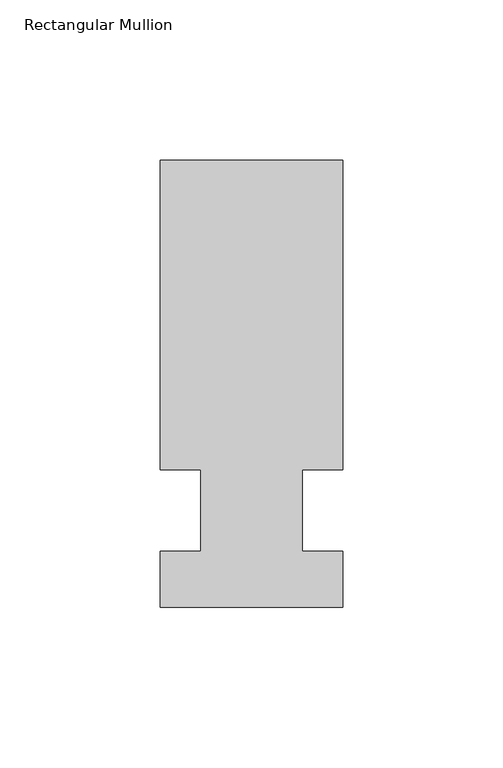
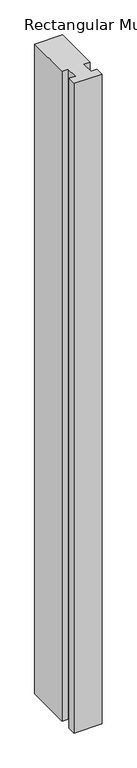
"""IFC4 building model written with IfcOpenShell, lengths in millimetres: member geometry, Rectangular Mullion."""

from ifc_helpers import new_model, si_unit, frame, origin, place, context, project, spatial, polyline, outline, extrude, source, transform, mapped, element, save


def rectangular_mullion_3692fdbe(model_context):
    return source(origin(), model_context, "Body", "SweptSolid", [
        extrude(outline(polyline([(32.9094027, 109.5375), (32.9094027, 12.7), (20.2076322, 12.7), (20.2076322, -12.7), (32.9094027, -12.7), (32.9094027, -30.1625), (-24.2405973, -30.1625), (-24.2405973, -12.7), (-11.5405973, -12.7), (-11.5405973, 12.7), (-24.2405973, 12.7), (-24.2405973, 109.5375), (32.9094027, 109.5375)])), frame((0.0, 0.0, -1407.482264), z_axis=(0.0, 0.0, 1.0), x_axis=(1.0, 0.0, 0.0)), (0.0, 0.0, 1.0), 1407.482264),
    ])


if __name__ == "__main__":
    model = new_model("IFC4")
    model_context = context("Model", 3, world=origin())
    ifc_project = project(units=[si_unit("LENGTHUNIT", "METRE", prefix="MILLI")], contexts=[model_context])
    site = spatial("IfcSite", under=ifc_project)
    building = spatial("IfcBuilding", under=site)
    placement = place(None, origin())
    rectangular_mullion_shape = rectangular_mullion_3692fdbe(model_context)
    element("IfcMember", 1, ObjectType="Rectangular Mullion", at=placement, inside=building, context=model_context, shape_type="MappedRepresentation", body=[
        mapped(rectangular_mullion_shape, transform((0.0, 0.0, 0.0), x_axis=(1.0, 0.0, 0.0), y_axis=(0.0, 1.0, 0.0), z_axis=(0.0, 0.0, 1.0))),
    ])
    save(model, "model.ifc")
